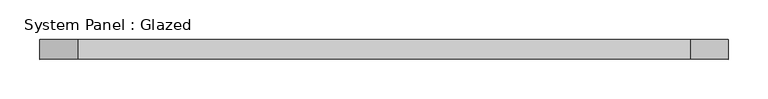
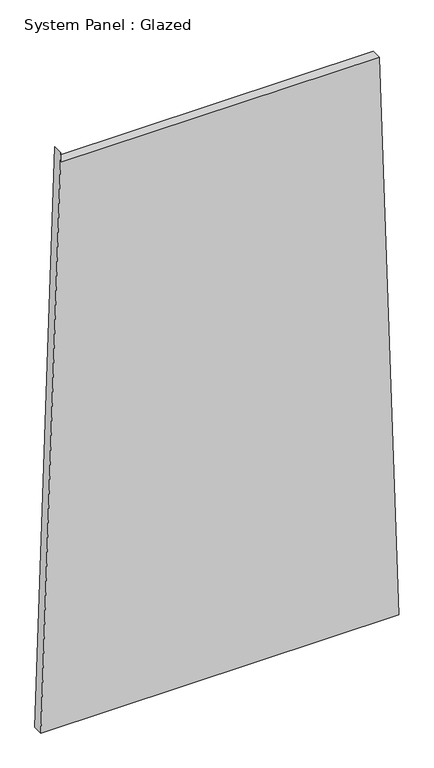
"""IFC4 building model written with IfcOpenShell, lengths in millimetres: plate geometry, System Panel : Glazed."""

from ifc_helpers import new_model, si_unit, frame, origin, place, context, project, spatial, polyline, outline, extrude, source, transform, mapped, element, save


def system_panel_glazed_466551c8(model_context):
    return source(origin(), model_context, "Body", "SweptSolid", [
        extrude(outline(polyline([(0.0, -435.0354876), (0.0, 435.0354876), (1449.1935551, 387.4936314), (1449.1936766, -386.6707482), (1474.1936766, -386.6707443), (0.0, -435.0354876)])), frame((0.0, -49.5, 0.0), z_axis=(0.0, 1.0, 0.0), x_axis=(0.0, 0.0, 1.0)), (0.0, 0.0, 1.0), 25.0),
    ])


if __name__ == "__main__":
    model = new_model("IFC4")
    model_context = context("Model", 3, world=origin())
    ifc_project = project(units=[si_unit("LENGTHUNIT", "METRE", prefix="MILLI")], contexts=[model_context])
    site = spatial("IfcSite", under=ifc_project)
    building = spatial("IfcBuilding", under=site)
    placement = place(None, origin())
    system_panel_glazed_shape = system_panel_glazed_466551c8(model_context)
    element("IfcPlate", 1, ObjectType="System Panel : Glazed", at=placement, inside=building, context=model_context, shape_type="MappedRepresentation", body=[
        mapped(system_panel_glazed_shape, transform((0.0, 0.0, 0.0), x_axis=(1.0, 0.0, 0.0), y_axis=(0.0, 1.0, 0.0), z_axis=(0.0, 0.0, 1.0))),
    ])
    save(model, "model.ifc")
